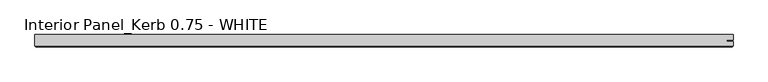
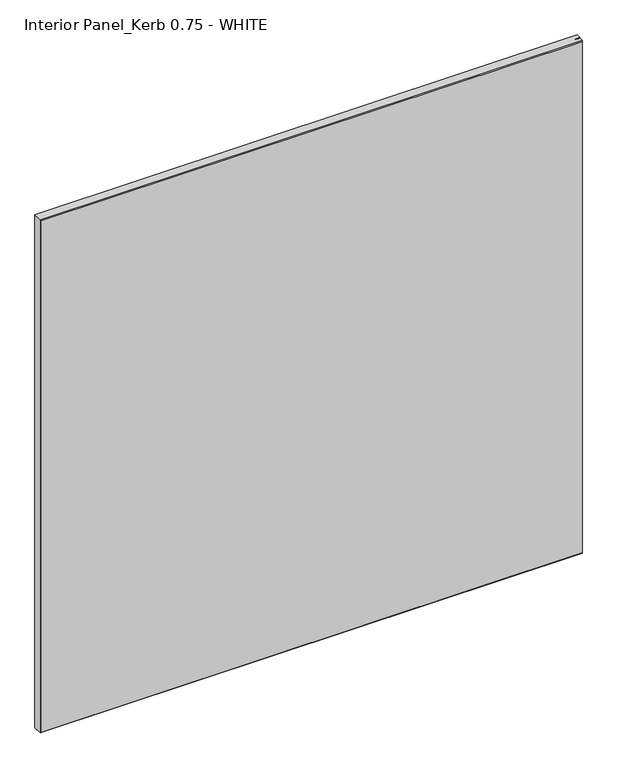
"""IFC4 building model written with IfcOpenShell, lengths in millimetres: proxy geometry, Interior Panel_Kerb 0.75 - WHITE."""

from ifc_helpers import new_model, si_unit, origin, place, context, project, spatial, faceted_brep, source, transform, mapped, element, save


def interior_panel_kerb_0_75_white_93d0a5d7(model_context):
    return source(origin(), model_context, "Body", "Brep", [
        faceted_brep([(990.6, 3.175, 1063.625), (-73.025, 3.175, 1063.625), (-73.025, -14.2875, 1063.625), (990.6, -14.2875, 1063.625), (990.6, -7.4168, 1063.625), (980.7773437, -7.4168, 1063.625), (980.7773437, -5.2832, 1063.625), (990.6, -5.2832, 1063.625), (990.6, 3.175, 0.0), (990.6, -5.2832, 0.0), (980.7773437, -5.2832, 0.0), (980.7773437, -7.4168, 0.0), (990.6, -7.4168, 0.0), (990.6, -14.2875, 0.0), (-73.025, -14.2875, 0.0), (-73.025, 3.175, 0.0), (-71.4375, -15.875, 1062.0375), (-71.4375, -15.875, 1.5875), (989.0125, -15.875, 1.5875), (989.0125, -15.875, 1062.0375)], [[[0, 1, 2, 3, 4, 5, 6, 7]], [[8, 9, 10, 11, 12, 13, 14, 15]], [[1, 0, 8, 15]], [[2, 1, 15, 14]], [[16, 17, 18, 19]], [[4, 3, 13, 12]], [[2, 14, 17, 16]], [[13, 3, 19, 18]], [[3, 2, 16, 19]], [[14, 13, 18, 17]], [[5, 4, 12, 11]], [[6, 5, 11, 10]], [[7, 6, 10, 9]], [[0, 7, 9, 8]]]),
    ])


if __name__ == "__main__":
    model = new_model("IFC4")
    model_context = context("Model", 3, world=origin())
    ifc_project = project(units=[si_unit("LENGTHUNIT", "METRE", prefix="MILLI")], contexts=[model_context])
    site = spatial("IfcSite", under=ifc_project)
    building = spatial("IfcBuilding", under=site)
    placement = place(None, origin())
    interior_panel_kerb_0_75_white_shape = interior_panel_kerb_0_75_white_93d0a5d7(model_context)
    element("IfcBuildingElementProxy", 1, Name="Interior Panel_Kerb 0.75 - WHITE", ObjectType="Interior Panel_Kerb 0.75 - WHITE", at=placement, inside=building, context=model_context, shape_type="MappedRepresentation", body=[
        mapped(interior_panel_kerb_0_75_white_shape, transform((0.0, 0.0, 0.0), x_axis=(1.0, 0.0, 0.0), y_axis=(0.0, 1.0, 0.0), z_axis=(0.0, 0.0, 1.0))),
    ])
    save(model, "model.ifc")
